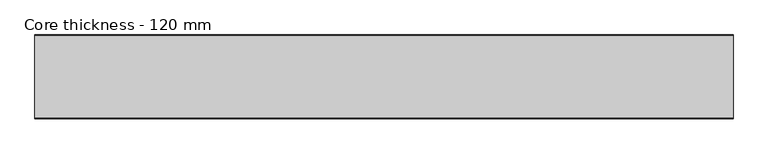
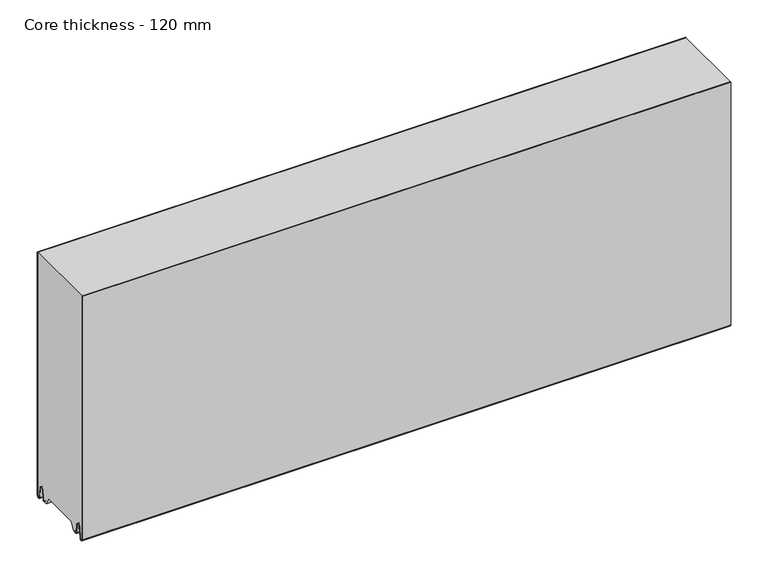
"""IFC4 building model written with IfcOpenShell, lengths in millimetres: plate geometry, Core thickness - 120 mm."""

from ifc_helpers import new_model, si_unit, frame, origin, place, context, project, spatial, polyline, circle_curve, source, transform, mapped, element, save
from ifc_brep_helpers import plane_surface, cylinder_surface, revolved_surface, advanced_brep


def core_thickness_120_mm_d7d6069e(model_context):
    return source(origin(), model_context, "Body", "AdvancedBrep", [
        advanced_brep(
        [(500.0000002, -119.9996949, 2.9900682), (500.0000002, -113.81449, 2.6875612), (500.0000002, -112.197116, 19.1828169), (500.0000002, -109.1776715, 21.8898782), (500.0000002, -106.1582271, 19.1828169), (500.0000002, -104.7725998, 5.0510966), (500.0000002, -100.3830995, 5.265779), (500.0000002, -101.1830995, 5.265779), (500.0000002, -103.9764178, 5.1291629), (500.0000002, -105.3620451, 19.2608832), (500.0000002, -109.1776715, 22.6899182), (500.0000002, -112.9932979, 19.2608832), (500.0000002, -114.6106719, 2.7656275), (500.0000002, -119.1996949, 2.9900682), (500.0000002, -119.2, 400.0), (500.0000002, -119.9996949, 400.0), (-500.0000002, -119.1996949, 2.9900682), (-500.0000002, -114.6106719, 2.7656275), (-500.0000002, -112.9932979, 19.2608832), (-500.0000002, -109.1776715, 22.6899182), (-500.0000002, -105.3620451, 19.2608832), (-500.0000002, -103.9764178, 5.1291629), (-500.0000002, -101.1830995, 5.265779), (-500.0000002, -100.3830995, 5.265779), (-500.0000002, -104.7725998, 5.0510966), (-500.0000002, -106.1582271, 19.1828169), (-500.0000002, -109.1776715, 21.8898782), (-500.0000002, -112.197116, 19.1828169), (-500.0000002, -113.81449, 2.6875612), (-500.0000002, -119.9996949, 2.9900682), (-500.0000002, -119.9996949, 400.0), (-500.0000002, -119.2, 400.0)],
        [
            (0, 1, circle_curve(frame((500.0000002, -116.8996949, 2.9900682), z_axis=(1.0, 0.0, 0.0), x_axis=(0.0, 0.0, -1.0)), 3.1)),
            (1, 2),
            (2, 3, circle_curve(frame((500.0000002, -109.2114338, 18.8900682), z_axis=(-1.0, 0.0, 0.0), x_axis=(0.0, 0.0, -1.0)), 3.0)),
            (3, 4, circle_curve(frame((500.0000002, -109.1439093, 18.8900682), z_axis=(-1.0, 0.0, 0.0), x_axis=(0.0, 0.0, -1.0)), 3.0)),
            (4, 5),
            (5, 6, circle_curve(frame((500.0000002, -102.5830995, 5.265779), z_axis=(1.0, 0.0, 0.0), x_axis=(0.0, 0.0, -1.0)), 2.2)),
            (6, 7),
            (7, 8, circle_curve(frame((500.0000002, -102.5830995, 5.265779), z_axis=(-1.0, 0.0, 0.0), x_axis=(0.0, 0.0, -1.0)), 1.4)),
            (8, 9),
            (9, 10, circle_curve(frame((500.0000002, -109.1439093, 18.8900682), z_axis=(1.0, 0.0, 0.0), x_axis=(0.0, 0.0, -1.0)), 3.8)),
            (10, 11, circle_curve(frame((500.0000002, -109.2114338, 18.8900682), z_axis=(1.0, 0.0, 0.0), x_axis=(0.0, 0.0, -1.0)), 3.8)),
            (11, 12),
            (12, 13, circle_curve(frame((500.0000002, -116.8996949, 2.9900682), z_axis=(-1.0, 0.0, 0.0), x_axis=(0.0, 0.0, -1.0)), 2.3)),
            (13, 14),
            (14, 15),
            (15, 0),
            (16, 17, circle_curve(frame((-500.0000002, -116.8996949, 2.9900682), z_axis=(1.0, 0.0, 0.0), x_axis=(0.0, 0.0, -1.0)), 2.3)),
            (17, 18),
            (18, 19, circle_curve(frame((-500.0000002, -109.2114338, 18.8900682), z_axis=(-1.0, 0.0, 0.0), x_axis=(0.0, 0.0, -1.0)), 3.8)),
            (19, 20, circle_curve(frame((-500.0000002, -109.1439093, 18.8900682), z_axis=(-1.0, 0.0, 0.0), x_axis=(0.0, 0.0, -1.0)), 3.8)),
            (20, 21),
            (21, 22, circle_curve(frame((-500.0000002, -102.5830995, 5.265779), z_axis=(1.0, 0.0, 0.0), x_axis=(0.0, 0.0, -1.0)), 1.4)),
            (22, 23),
            (23, 24, circle_curve(frame((-500.0000002, -102.5830995, 5.265779), z_axis=(-1.0, 0.0, 0.0), x_axis=(0.0, 0.0, -1.0)), 2.2)),
            (24, 25),
            (25, 26, circle_curve(frame((-500.0000002, -109.1439093, 18.8900682), z_axis=(1.0, 0.0, 0.0), x_axis=(0.0, 0.0, -1.0)), 3.0)),
            (26, 27, circle_curve(frame((-500.0000002, -109.2114338, 18.8900682), z_axis=(1.0, 0.0, 0.0), x_axis=(0.0, 0.0, -1.0)), 3.0)),
            (27, 28),
            (28, 29, circle_curve(frame((-500.0000002, -116.8996949, 2.9900682), z_axis=(-1.0, 0.0, 0.0), x_axis=(0.0, 0.0, -1.0)), 3.1)),
            (29, 30),
            (30, 31),
            (31, 16),
            (13, 16),
            (31, 14),
            (29, 0),
            (15, 30),
            (12, 17),
            (11, 18),
            (10, 19),
            (9, 20),
            (8, 21),
            (7, 22),
            (6, 23),
            (5, 24),
            (4, 25),
            (3, 26),
            (2, 27),
            (1, 28),
        ],
        [
            plane_surface(frame((500.0000002, -120.0, 0.0), z_axis=(1.0, 0.0, 0.0), x_axis=(0.0, 1.0, 0.0))),
            plane_surface(frame((-500.0000002, -120.0, 0.0), z_axis=(-1.0, 0.0, 0.0), x_axis=(0.0, 1.0, 0.0))),
            plane_surface(frame((500.0000002, -119.2, 2.9900682), z_axis=(0.0, 1.0, 0.0), x_axis=(-1.0, 0.0, 0.0))),
            plane_surface(frame((500.0000002, -119.9996949, 1093.8000005), z_axis=(0.0, -1.0, 0.0), x_axis=(-1.0, 0.0, 0.0))),
            revolved_surface(polyline([(-500.0000002, -116.8996949, 0.6900682000000002), (500.0000002, -116.8996949, 0.6900682000000002)]), (500.0000002, -116.8996949, 2.9900682), (-1.0, 0.0, 0.0)),
            plane_surface(frame((500.0000002, -112.9932979, 19.2608832), z_axis=(0.0, -0.9952273999818314, 0.09758289975914787), x_axis=(-1.0, 0.0, 0.0))),
            cylinder_surface(frame((500.0000002, -109.2114338, 18.8900682), z_axis=(1.0, 0.0, 0.0), x_axis=(0.0, 0.0, -1.0)), 3.8),
            cylinder_surface(frame((500.0000002, -109.1439093, 18.8900682), z_axis=(1.0, 0.0, 0.0), x_axis=(0.0, 0.0, -1.0)), 3.8),
            plane_surface(frame((500.0000002, -103.9764178, 5.1291629), z_axis=(0.0, 0.9952273999818297, 0.09758289975916531), x_axis=(-1.0, 0.0, 0.0))),
            revolved_surface(polyline([(-500.0000002, -102.5830995, 3.8657790000000003), (500.0000002, -102.5830995, 3.8657790000000003)]), (500.0000002, -102.5830995, 5.265779), (-1.0, 0.0, 0.0)),
            plane_surface(frame((500.0000002, -100.3830995, 5.265779), z_axis=(0.0, 0.0, 1.0), x_axis=(-1.0, 0.0, 0.0))),
            cylinder_surface(frame((500.0000002, -102.5830995, 5.265779), z_axis=(1.0, 0.0, 0.0), x_axis=(0.0, 0.0, -1.0)), 2.2),
            plane_surface(frame((500.0000002, -106.1582271, 19.1828169), z_axis=(0.0, -0.9952273999818296, -0.09758289975916527), x_axis=(-1.0, 0.0, 0.0))),
            revolved_surface(polyline([(-500.0000002, -109.1439093, 15.890068200000002), (500.0000002, -109.1439093, 15.890068200000002)]), (500.0000002, -109.1439093, 18.8900682), (-1.0, 0.0, 0.0)),
            revolved_surface(polyline([(-500.0000002, -109.2114338, 15.890068200000002), (500.0000002, -109.2114338, 15.890068200000002)]), (500.0000002, -109.2114338, 18.8900682), (-1.0, 0.0, 0.0)),
            plane_surface(frame((500.0000002, -113.81449, 2.6875612), z_axis=(0.0, 0.9952273999818314, -0.09758289975914787), x_axis=(-1.0, 0.0, 0.0))),
            cylinder_surface(frame((500.0000002, -116.8996949, 2.9900682), z_axis=(1.0, 0.0, 0.0), x_axis=(0.0, 0.0, -1.0)), 3.1),
            plane_surface(frame((-500.0000002, 134.0533409, 400.0), z_axis=(0.0, 0.0, 1.0), x_axis=(1.0, 0.0, 0.0))),
        ],
        [
            (0, [[1, 2, 3, 4, 5, 6, 7, 8, 9, 10, 11, 12, 13, 14, 15, 16]]),
            (1, [[17, 18, 19, 20, 21, 22, 23, 24, 25, 26, 27, 28, 29, 30, 31, 32]]),
            (2, [[33, -32, 34, -14]]),
            (3, [[35, -16, 36, -30]]),
            (4, [[-13, 37, -17, -33]]),
            (5, [[-12, 38, -18, -37]]),
            (6, [[-11, 39, -19, -38]]),
            (7, [[-10, 40, -20, -39]]),
            (8, [[-9, 41, -21, -40]]),
            (9, [[-8, 42, -22, -41]]),
            (10, [[-7, 43, -23, -42]]),
            (11, [[-6, 44, -24, -43]]),
            (12, [[-5, 45, -25, -44]]),
            (13, [[-4, 46, -26, -45]]),
            (14, [[-3, 47, -27, -46]]),
            (15, [[-2, 48, -28, -47]]),
            (16, [[-1, -35, -29, -48]]),
            (17, [[-15, -34, -31, -36]]),
        ],
    ),
        advanced_brep(
        [(500.0000002, -0.8003051, 2.9900682), (500.0000002, -5.3893281, 2.7656275), (500.0000002, -7.0067021, 19.2608832), (500.0000002, -10.8223285, 22.6899182), (500.0000002, -14.6379549, 19.2608832), (500.0000002, -16.0235822, 5.1291629), (500.0000002, -18.8169005, 5.265779), (500.0000002, -19.6169005, 5.265779), (500.0000002, -15.2274002, 5.0510966), (500.0000002, -13.8417729, 19.1828169), (500.0000002, -10.8223285, 21.8898782), (500.0000002, -7.802884, 19.1828169), (500.0000002, -6.18551, 2.6875612), (500.0000002, -0.0003051, 2.9900682), (500.0000002, -0.0003051, 400.0), (500.0000002, -0.8, 400.0), (-500.0000002, -0.0003051, 2.9900682), (-500.0000002, -6.18551, 2.6875612), (-500.0000002, -7.802884, 19.1828169), (-500.0000002, -10.8223285, 21.8898782), (-500.0000002, -13.8417729, 19.1828169), (-500.0000002, -15.2274002, 5.0510966), (-500.0000002, -19.6169005, 5.265779), (-500.0000002, -18.8169005, 5.265779), (-500.0000002, -16.0235822, 5.1291629), (-500.0000002, -14.6379549, 19.2608832), (-500.0000002, -10.8223285, 22.6899182), (-500.0000002, -7.0067021, 19.2608832), (-500.0000002, -5.3893281, 2.7656275), (-500.0000002, -0.8003051, 2.9900682), (-500.0000002, -0.8, 400.0), (-500.0000002, -0.0003051, 400.0)],
        [
            (0, 1, circle_curve(frame((500.0000002, -3.1003051, 2.9900682), z_axis=(-1.0, 0.0, 0.0), x_axis=(0.0, 0.0, -1.0)), 2.3)),
            (1, 2),
            (2, 3, circle_curve(frame((500.0000002, -10.7885662, 18.8900682), z_axis=(1.0, 0.0, 0.0), x_axis=(0.0, 0.0, -1.0)), 3.8)),
            (3, 4, circle_curve(frame((500.0000002, -10.8560907, 18.8900682), z_axis=(1.0, 0.0, 0.0), x_axis=(0.0, 0.0, -1.0)), 3.8)),
            (4, 5),
            (5, 6, circle_curve(frame((500.0000002, -17.4169005, 5.265779), z_axis=(-1.0, 0.0, 0.0), x_axis=(0.0, 0.0, -1.0)), 1.4)),
            (6, 7),
            (7, 8, circle_curve(frame((500.0000002, -17.4169005, 5.265779), z_axis=(1.0, 0.0, 0.0), x_axis=(0.0, 0.0, -1.0)), 2.2)),
            (8, 9),
            (9, 10, circle_curve(frame((500.0000002, -10.8560907, 18.8900682), z_axis=(-1.0, 0.0, 0.0), x_axis=(0.0, 0.0, -1.0)), 3.0)),
            (10, 11, circle_curve(frame((500.0000002, -10.7885662, 18.8900682), z_axis=(-1.0, 0.0, 0.0), x_axis=(0.0, 0.0, -1.0)), 3.0)),
            (11, 12),
            (12, 13, circle_curve(frame((500.0000002, -3.1003051, 2.9900682), z_axis=(1.0, 0.0, 0.0), x_axis=(0.0, 0.0, -1.0)), 3.1)),
            (13, 14),
            (14, 15),
            (15, 0),
            (16, 17, circle_curve(frame((-500.0000002, -3.1003051, 2.9900682), z_axis=(-1.0, 0.0, 0.0), x_axis=(0.0, 0.0, -1.0)), 3.1)),
            (17, 18),
            (18, 19, circle_curve(frame((-500.0000002, -10.7885662, 18.8900682), z_axis=(1.0, 0.0, 0.0), x_axis=(0.0, 0.0, -1.0)), 3.0)),
            (19, 20, circle_curve(frame((-500.0000002, -10.8560907, 18.8900682), z_axis=(1.0, 0.0, 0.0), x_axis=(0.0, 0.0, -1.0)), 3.0)),
            (20, 21),
            (21, 22, circle_curve(frame((-500.0000002, -17.4169005, 5.265779), z_axis=(-1.0, 0.0, 0.0), x_axis=(0.0, 0.0, -1.0)), 2.2)),
            (22, 23),
            (23, 24, circle_curve(frame((-500.0000002, -17.4169005, 5.265779), z_axis=(1.0, 0.0, 0.0), x_axis=(0.0, 0.0, -1.0)), 1.4)),
            (24, 25),
            (25, 26, circle_curve(frame((-500.0000002, -10.8560907, 18.8900682), z_axis=(-1.0, 0.0, 0.0), x_axis=(0.0, 0.0, -1.0)), 3.8)),
            (26, 27, circle_curve(frame((-500.0000002, -10.7885662, 18.8900682), z_axis=(-1.0, 0.0, 0.0), x_axis=(0.0, 0.0, -1.0)), 3.8)),
            (27, 28),
            (28, 29, circle_curve(frame((-500.0000002, -3.1003051, 2.9900682), z_axis=(1.0, 0.0, 0.0), x_axis=(0.0, 0.0, -1.0)), 2.3)),
            (29, 30),
            (30, 31),
            (31, 16),
            (13, 16),
            (31, 14),
            (29, 0),
            (15, 30),
            (12, 17),
            (11, 18),
            (10, 19),
            (9, 20),
            (8, 21),
            (7, 22),
            (6, 23),
            (5, 24),
            (4, 25),
            (3, 26),
            (2, 27),
            (1, 28),
        ],
        [
            plane_surface(frame((500.0000002, 0.0, 0.0), z_axis=(1.0, 0.0, 0.0), x_axis=(0.0, -1.0, 0.0))),
            plane_surface(frame((-500.0000002, 0.0, 0.0), z_axis=(-1.0, 0.0, 0.0), x_axis=(0.0, -1.0, 0.0))),
            plane_surface(frame((500.0000002, -0.0003051, 2.9900682), z_axis=(0.0, 1.0, 0.0), x_axis=(-1.0, 0.0, 0.0))),
            plane_surface(frame((500.0000002, -0.8, 1093.8000005), z_axis=(0.0, -1.0, 0.0), x_axis=(-1.0, 0.0, 0.0))),
            cylinder_surface(frame((500.0000002, -3.1003051, 2.9900682), z_axis=(1.0, 0.0, 0.0), x_axis=(0.0, 0.0, -1.0)), 3.1),
            plane_surface(frame((500.0000002, -7.802884, 19.1828169), z_axis=(0.0, -0.9952273999818314, -0.09758289975914787), x_axis=(-1.0, 0.0, 0.0))),
            revolved_surface(polyline([(-500.0000002, -10.7885662, 15.890068200000002), (500.0000002, -10.7885662, 15.890068200000002)]), (500.0000002, -10.7885662, 18.8900682), (-1.0, 0.0, 0.0)),
            revolved_surface(polyline([(-500.0000002, -10.8560907, 15.890068200000002), (500.0000002, -10.8560907, 15.890068200000002)]), (500.0000002, -10.8560907, 18.8900682), (-1.0, 0.0, 0.0)),
            plane_surface(frame((500.0000002, -15.2274002, 5.0510966), z_axis=(0.0, 0.9952273999818296, -0.09758289975916527), x_axis=(-1.0, 0.0, 0.0))),
            cylinder_surface(frame((500.0000002, -17.4169005, 5.265779), z_axis=(1.0, 0.0, 0.0), x_axis=(0.0, 0.0, -1.0)), 2.2),
            plane_surface(frame((500.0000002, -18.8169005, 5.265779), z_axis=(0.0, 0.0, 1.0), x_axis=(-1.0, 0.0, 0.0))),
            revolved_surface(polyline([(-500.0000002, -17.4169005, 3.8657790000000003), (500.0000002, -17.4169005, 3.8657790000000003)]), (500.0000002, -17.4169005, 5.265779), (-1.0, 0.0, 0.0)),
            plane_surface(frame((500.0000002, -14.6379549, 19.2608832), z_axis=(0.0, -0.9952273999818297, 0.09758289975916531), x_axis=(-1.0, 0.0, 0.0))),
            cylinder_surface(frame((500.0000002, -10.8560907, 18.8900682), z_axis=(1.0, 0.0, 0.0), x_axis=(0.0, 0.0, -1.0)), 3.8),
            cylinder_surface(frame((500.0000002, -10.7885662, 18.8900682), z_axis=(1.0, 0.0, 0.0), x_axis=(0.0, 0.0, -1.0)), 3.8),
            plane_surface(frame((500.0000002, -5.3893281, 2.7656275), z_axis=(0.0, 0.9952273999818314, 0.09758289975914787), x_axis=(-1.0, 0.0, 0.0))),
            revolved_surface(polyline([(-500.0000002, -3.1003051, 0.6900682000000002), (500.0000002, -3.1003051, 0.6900682000000002)]), (500.0000002, -3.1003051, 2.9900682), (-1.0, 0.0, 0.0)),
            plane_surface(frame((-500.0000002, 134.0533409, 400.0), z_axis=(0.0, 0.0, 1.0), x_axis=(1.0, 0.0, 0.0))),
        ],
        [
            (0, [[1, 2, 3, 4, 5, 6, 7, 8, 9, 10, 11, 12, 13, 14, 15, 16]]),
            (1, [[17, 18, 19, 20, 21, 22, 23, 24, 25, 26, 27, 28, 29, 30, 31, 32]]),
            (2, [[33, -32, 34, -14]]),
            (3, [[35, -16, 36, -30]]),
            (4, [[-13, 37, -17, -33]]),
            (5, [[-12, 38, -18, -37]]),
            (6, [[-11, 39, -19, -38]]),
            (7, [[-10, 40, -20, -39]]),
            (8, [[-9, 41, -21, -40]]),
            (9, [[-8, 42, -22, -41]]),
            (10, [[-7, 43, -23, -42]]),
            (11, [[-6, 44, -24, -43]]),
            (12, [[-5, 45, -25, -44]]),
            (13, [[-4, 46, -26, -45]]),
            (14, [[-3, 47, -27, -46]]),
            (15, [[-2, 48, -28, -47]]),
            (16, [[-1, -35, -29, -48]]),
            (17, [[-15, -34, -31, -36]]),
        ],
    ),
        advanced_brep(
        [(500.0000002, -89.873448, 15.0417681), (500.0000002, -30.126552, 15.0417681), (500.0000002, -23.4086055, 3.0684055), (500.0000002, -17.4169005, 3.0684055), (500.0000002, -19.6169005, 5.265779), (500.0000002, -18.8169005, 5.265779), (500.0000002, -16.0235822, 5.1291629), (500.0000002, -14.6379549, 19.2608832), (500.0000002, -10.8223285, 22.6899182), (500.0000002, -7.0067021, 19.2608832), (500.0000002, -5.3893281, 2.7656275), (500.0000002, -0.8003051, 2.9900682), (500.0000002, -0.8, 400.0), (500.0000002, -119.2, 400.0), (500.0000002, -119.2, 2.9900682), (500.0000002, -114.6106719, 2.7656275), (500.0000002, -112.9932979, 19.2608832), (500.0000002, -109.1776715, 22.6899182), (500.0000002, -105.3620451, 19.2608832), (500.0000002, -103.9764178, 5.1291629), (500.0000002, -101.1830995, 5.265779), (500.0000002, -100.3830995, 5.265779), (500.0000002, -102.5830995, 3.065779), (500.0000002, -96.5913945, 3.0684055), (-500.0000002, -30.126552, 15.0417681), (-500.0000002, -89.873448, 15.0417681), (-500.0000002, -96.5913945, 3.0684055), (-500.0000002, -102.5830995, 3.0684055), (-500.0000002, -100.3830995, 5.265779), (-500.0000002, -101.1830995, 5.265779), (-500.0000002, -103.9764178, 5.1291629), (-500.0000002, -105.3620451, 19.2608832), (-500.0000002, -109.1776715, 22.6899182), (-500.0000002, -112.9932979, 19.2608832), (-500.0000002, -114.6106719, 2.7656275), (-500.0000002, -119.1996949, 2.9900682), (-500.0000002, -119.2, 400.0), (-500.0000002, -0.8, 400.0), (-500.0000002, -0.8, 2.9900682), (-500.0000002, -5.3893281, 2.7656275), (-500.0000002, -7.0067021, 19.2608832), (-500.0000002, -10.8223285, 22.6899182), (-500.0000002, -14.6379549, 19.2608832), (-500.0000002, -16.0235822, 5.1291629), (-500.0000002, -18.8169005, 5.265779), (-500.0000002, -19.6169005, 5.265779), (-500.0000002, -17.4169005, 3.065779), (-500.0000002, -23.4086055, 3.0684055)],
        [
            (0, 1),
            (1, 2),
            (2, 3),
            (3, 4, circle_curve(frame((500.0000002, -17.4169005, 5.265779), z_axis=(-1.0, 0.0, 0.0), x_axis=(0.0, 0.0, -1.0)), 2.2)),
            (4, 5),
            (5, 6, circle_curve(frame((500.0000002, -17.4169005, 5.265779), z_axis=(1.0, 0.0, 0.0), x_axis=(0.0, 0.0, -1.0)), 1.4)),
            (6, 7),
            (7, 8, circle_curve(frame((500.0000002, -10.8560907, 18.8900682), z_axis=(-1.0, 0.0, 0.0), x_axis=(0.0, 0.0, -1.0)), 3.8)),
            (8, 9, circle_curve(frame((500.0000002, -10.7885662, 18.8900682), z_axis=(-1.0, 0.0, 0.0), x_axis=(0.0, 0.0, -1.0)), 3.8)),
            (9, 10),
            (10, 11, circle_curve(frame((500.0000002, -3.1003051, 2.9900682), z_axis=(1.0, 0.0, 0.0), x_axis=(0.0, 0.0, -1.0)), 2.3)),
            (11, 12),
            (12, 13),
            (13, 14),
            (14, 15, circle_curve(frame((500.0000002, -116.8996949, 2.9900682), z_axis=(1.0, 0.0, 0.0), x_axis=(0.0, 0.0, -1.0)), 2.3)),
            (15, 16),
            (16, 17, circle_curve(frame((500.0000002, -109.2114338, 18.8900682), z_axis=(-1.0, 0.0, 0.0), x_axis=(0.0, 0.0, -1.0)), 3.8)),
            (17, 18, circle_curve(frame((500.0000002, -109.1439093, 18.8900682), z_axis=(-1.0, 0.0, 0.0), x_axis=(0.0, 0.0, -1.0)), 3.8)),
            (18, 19),
            (19, 20, circle_curve(frame((500.0000002, -102.5830995, 5.265779), z_axis=(1.0, 0.0, 0.0), x_axis=(0.0, 0.0, -1.0)), 1.4)),
            (20, 21),
            (21, 22, circle_curve(frame((500.0000002, -102.5830995, 5.265779), z_axis=(-1.0, 0.0, 0.0), x_axis=(0.0, 0.0, -1.0)), 2.2)),
            (22, 23),
            (23, 0),
            (24, 25),
            (25, 26),
            (26, 27),
            (27, 28, circle_curve(frame((-500.0000002, -102.5830995, 5.265779), z_axis=(1.0, 0.0, 0.0), x_axis=(0.0, 0.0, -1.0)), 2.2)),
            (28, 29),
            (29, 30, circle_curve(frame((-500.0000002, -102.5830995, 5.265779), z_axis=(-1.0, 0.0, 0.0), x_axis=(0.0, 0.0, -1.0)), 1.4)),
            (30, 31),
            (31, 32, circle_curve(frame((-500.0000002, -109.1439093, 18.8900682), z_axis=(1.0, 0.0, 0.0), x_axis=(0.0, 0.0, -1.0)), 3.8)),
            (32, 33, circle_curve(frame((-500.0000002, -109.2114338, 18.8900682), z_axis=(1.0, 0.0, 0.0), x_axis=(0.0, 0.0, -1.0)), 3.8)),
            (33, 34),
            (34, 35, circle_curve(frame((-500.0000002, -116.8996949, 2.9900682), z_axis=(-1.0, 0.0, 0.0), x_axis=(0.0, 0.0, -1.0)), 2.3)),
            (35, 36),
            (36, 37),
            (37, 38),
            (38, 39, circle_curve(frame((-500.0000002, -3.1003051, 2.9900682), z_axis=(-1.0, 0.0, 0.0), x_axis=(0.0, 0.0, -1.0)), 2.3)),
            (39, 40),
            (40, 41, circle_curve(frame((-500.0000002, -10.7885662, 18.8900682), z_axis=(1.0, 0.0, 0.0), x_axis=(0.0, 0.0, -1.0)), 3.8)),
            (41, 42, circle_curve(frame((-500.0000002, -10.8560907, 18.8900682), z_axis=(1.0, 0.0, 0.0), x_axis=(0.0, 0.0, -1.0)), 3.8)),
            (42, 43),
            (43, 44, circle_curve(frame((-500.0000002, -17.4169005, 5.265779), z_axis=(-1.0, 0.0, 0.0), x_axis=(0.0, 0.0, -1.0)), 1.4)),
            (44, 45),
            (45, 46, circle_curve(frame((-500.0000002, -17.4169005, 5.265779), z_axis=(1.0, 0.0, 0.0), x_axis=(0.0, 0.0, -1.0)), 2.2)),
            (46, 47),
            (47, 24),
            (1, 24),
            (47, 2),
            (0, 25),
            (23, 26),
            (46, 3),
            (22, 27),
            (35, 14),
            (13, 36),
            (34, 15),
            (33, 16),
            (32, 17),
            (31, 18),
            (30, 19),
            (29, 20),
            (28, 21),
            (12, 37),
            (11, 38),
            (45, 4),
            (44, 5),
            (43, 6),
            (42, 7),
            (41, 8),
            (40, 9),
            (39, 10),
        ],
        [
            plane_surface(frame((500.0000002, 0.0, 0.0), z_axis=(1.0, 0.0, 0.0), x_axis=(0.0, -1.0, 0.0))),
            plane_surface(frame((-500.0000002, 0.0, 0.0), z_axis=(-1.0, 0.0, 0.0), x_axis=(0.0, -1.0, 0.0))),
            plane_surface(frame((500.0000002, -30.126552, 15.0417681), z_axis=(0.0, -0.8721062992196836, -0.4893164649399687), x_axis=(-1.0, 0.0, 0.0))),
            plane_surface(frame((500.0000002, -89.873448, 15.0417681), z_axis=(0.0, 0.0, -1.0), x_axis=(-1.0, 0.0, 0.0))),
            plane_surface(frame((500.0000002, -96.8190247, 2.6627014), z_axis=(0.0, 0.8721062992196852, -0.48931646493996606), x_axis=(-1.0, 0.0, 0.0))),
            plane_surface(frame((-500.0000002, -102.5830995, 3.0684055), z_axis=(0.0, 0.0, -1.0), x_axis=(1.0, 0.0, 0.0))),
            plane_surface(frame((630.0000002, -119.2, 2.9900682), z_axis=(0.0, -1.0, 0.0), x_axis=(-1.0, 0.0, 0.0))),
            cylinder_surface(frame((630.0000002, -116.8996949, 2.9900682), z_axis=(-1.0, 0.0, 0.0), x_axis=(0.0, 0.0, -1.0)), 2.3),
            plane_surface(frame((630.0000002, -112.9932979, 19.2608832), z_axis=(0.0, 0.9952273999818314, -0.09758289975914787), x_axis=(-1.0, 0.0, 0.0))),
            revolved_surface(polyline([(500.0000002, -109.2114338, 15.090068200000001), (-500.00000020000004, -109.2114338, 15.090068200000001)]), (630.0000002, -109.2114338, 18.8900682), (1.0, 0.0, 0.0)),
            revolved_surface(polyline([(500.0000002, -109.1439093, 15.090068200000001), (-500.00000020000004, -109.1439093, 15.090068200000001)]), (630.0000002, -109.1439093, 18.8900682), (1.0, 0.0, 0.0)),
            plane_surface(frame((630.0000002, -103.9764178, 5.1291629), z_axis=(0.0, -0.9952273999818297, -0.09758289975916531), x_axis=(-1.0, 0.0, 0.0))),
            cylinder_surface(frame((630.0000002, -102.5830995, 5.265779), z_axis=(-1.0, 0.0, 0.0), x_axis=(0.0, 0.0, -1.0)), 1.4),
            plane_surface(frame((630.0000002, -100.3830995, 5.265779), z_axis=(0.0, 0.0, -1.0), x_axis=(-1.0, 0.0, 0.0))),
            revolved_surface(polyline([(500.0000002, -102.5830995, 3.065779), (-500.00000020000004, -102.5830995, 3.065779)]), (630.0000002, -102.5830995, 5.265779), (1.0, 0.0, 0.0)),
            plane_surface(frame((-500.0000002, 134.0533409, 400.0), z_axis=(0.0, 0.0, 1.0), x_axis=(1.0, 0.0, 0.0))),
            plane_surface(frame((630.0000002, -0.8, 1093.8000005), z_axis=(0.0, 1.0, 0.0), x_axis=(-1.0, 0.0, 0.0))),
            revolved_surface(polyline([(500.0000002, -17.4169005, 3.065779), (-500.00000020000004, -17.4169005, 3.065779)]), (630.0000002, -17.4169005, 5.265779), (1.0, 0.0, 0.0)),
            plane_surface(frame((630.0000002, -18.8169005, 5.265779), z_axis=(0.0, 0.0, -1.0), x_axis=(-1.0, 0.0, 0.0))),
            cylinder_surface(frame((630.0000002, -17.4169005, 5.265779), z_axis=(-1.0, 0.0, 0.0), x_axis=(0.0, 0.0, -1.0)), 1.4),
            plane_surface(frame((630.0000002, -14.6379549, 19.2608832), z_axis=(0.0, 0.9952273999818297, -0.09758289975916531), x_axis=(-1.0, 0.0, 0.0))),
            revolved_surface(polyline([(500.0000002, -10.8560907, 15.090068200000001), (-500.00000020000004, -10.8560907, 15.090068200000001)]), (630.0000002, -10.8560907, 18.8900682), (1.0, 0.0, 0.0)),
            revolved_surface(polyline([(500.0000002, -10.7885662, 15.090068200000001), (-500.00000020000004, -10.7885662, 15.090068200000001)]), (630.0000002, -10.7885662, 18.8900682), (1.0, 0.0, 0.0)),
            plane_surface(frame((630.0000002, -5.3893281, 2.7656275), z_axis=(0.0, -0.9952273999818314, -0.09758289975914787), x_axis=(-1.0, 0.0, 0.0))),
            cylinder_surface(frame((630.0000002, -3.1003051, 2.9900682), z_axis=(-1.0, 0.0, 0.0), x_axis=(0.0, 0.0, -1.0)), 2.3),
        ],
        [
            (0, [[1, 2, 3, 4, 5, 6, 7, 8, 9, 10, 11, 12, 13, 14, 15, 16, 17, 18, 19, 20, 21, 22, 23, 24]]),
            (1, [[25, 26, 27, 28, 29, 30, 31, 32, 33, 34, 35, 36, 37, 38, 39, 40, 41, 42, 43, 44, 45, 46, 47, 48]]),
            (2, [[49, -48, 50, -2]]),
            (3, [[-1, 51, -25, -49]]),
            (4, [[-51, -24, 52, -26]]),
            (5, [[-3, -50, -47, 53]]),
            (5, [[-23, 54, -27, -52]]),
            (6, [[55, -14, 56, -36]]),
            (7, [[-55, -35, 57, -15]]),
            (8, [[-57, -34, 58, -16]]),
            (9, [[-58, -33, 59, -17]]),
            (10, [[-59, -32, 60, -18]]),
            (11, [[-60, -31, 61, -19]]),
            (12, [[-61, -30, 62, -20]]),
            (13, [[-62, -29, 63, -21]]),
            (14, [[-63, -28, -54, -22]]),
            (15, [[64, -37, -56, -13]]),
            (16, [[65, -38, -64, -12]]),
            (17, [[66, -4, -53, -46]]),
            (18, [[-66, -45, 67, -5]]),
            (19, [[-67, -44, 68, -6]]),
            (20, [[-68, -43, 69, -7]]),
            (21, [[-69, -42, 70, -8]]),
            (22, [[-70, -41, 71, -9]]),
            (23, [[-71, -40, 72, -10]]),
            (24, [[-72, -39, -65, -11]]),
        ],
    ),
    ])


if __name__ == "__main__":
    model = new_model("IFC4")
    model_context = context("Model", 3, world=origin())
    ifc_project = project(units=[si_unit("LENGTHUNIT", "METRE", prefix="MILLI")], contexts=[model_context])
    site = spatial("IfcSite", under=ifc_project)
    building = spatial("IfcBuilding", under=site)
    placement = place(None, origin())
    core_thickness_120_mm_shape = core_thickness_120_mm_d7d6069e(model_context)
    element("IfcPlate", 1, ObjectType="Core thickness - 120 mm", at=placement, inside=building, context=model_context, shape_type="MappedRepresentation", body=[
        mapped(core_thickness_120_mm_shape, transform((0.0, 0.0, 0.0), x_axis=(1.0, 0.0, 0.0), y_axis=(0.0, 1.0, 0.0), z_axis=(0.0, 0.0, 1.0))),
    ])
    save(model, "model.ifc")
